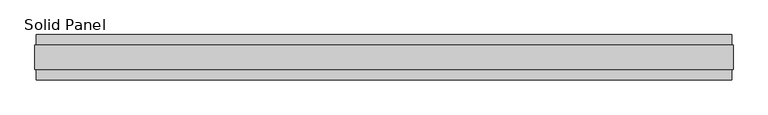
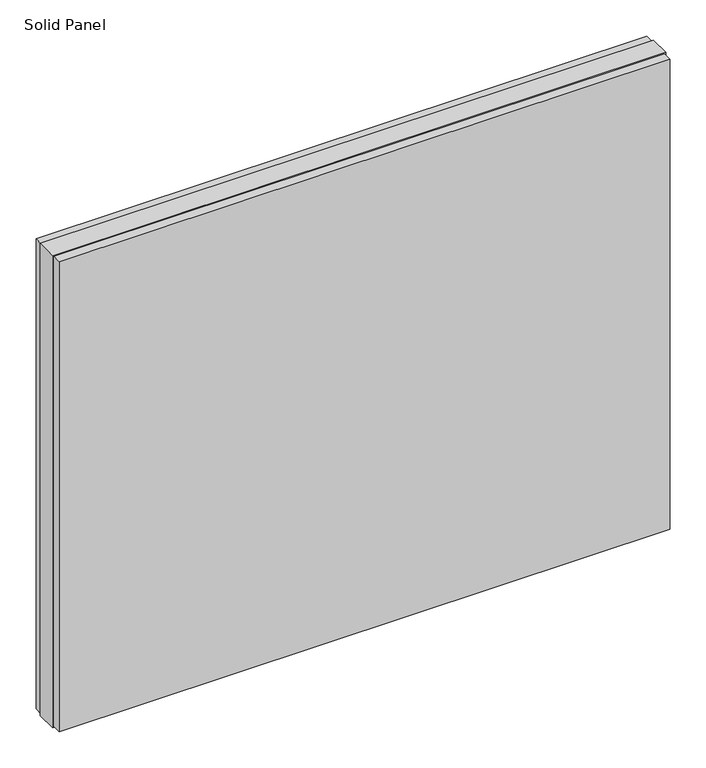
"""IFC4 building model written with IfcOpenShell, lengths in millimetres: plate geometry, Solid Panel."""

from ifc_helpers import new_model, si_unit, frame, origin, origin_with_axes, place, context, project, spatial, polyline, outline, extrude, source, transform, mapped, element, save


def solid_panel_b419dfbc(model_context):
    return source(origin(), model_context, "Body", "SweptSolid", [
        extrude(outline(polyline([(746.3028, -48.4531867), (-746.3028, -48.4531867), (-746.3028, -25.9961), (746.3028, -25.9961), (746.3028, -48.4531867)])), frame((0.0, 0.0, 3.0099), z_axis=(0.0, 0.0, 1.0), x_axis=(1.0, 0.0, 0.0)), (0.0, 0.0, 1.0), 1213.1802),
        extrude(outline(polyline([(746.3028, 25.9977), (-746.3028, 25.9977), (-746.3028, 48.4547867), (746.3028, 48.4547867), (746.3028, 25.9977)])), frame((0.0, 0.0, 3.0099), z_axis=(0.0, 0.0, 1.0), x_axis=(1.0, 0.0, 0.0)), (0.0, 0.0, 1.0), 1213.1802),
        extrude(outline(polyline([(749.3, -25.9961), (-749.3, -25.9961), (-749.3, 25.9977), (749.3, 25.9977), (749.3, -25.9961)])), origin_with_axes(), (0.0, 0.0, 1.0), 1219.2),
    ])


if __name__ == "__main__":
    model = new_model("IFC4")
    model_context = context("Model", 3, world=origin())
    ifc_project = project(units=[si_unit("LENGTHUNIT", "METRE", prefix="MILLI")], contexts=[model_context])
    site = spatial("IfcSite", under=ifc_project)
    building = spatial("IfcBuilding", under=site)
    placement = place(None, origin())
    solid_panel_shape = solid_panel_b419dfbc(model_context)
    element("IfcPlate", 1, ObjectType="Solid Panel", at=placement, inside=building, context=model_context, shape_type="MappedRepresentation", body=[
        mapped(solid_panel_shape, transform((0.0, 0.0, 0.0), x_axis=(1.0, 0.0, 0.0), y_axis=(0.0, 1.0, 0.0), z_axis=(0.0, 0.0, 1.0))),
    ])
    save(model, "model.ifc")
